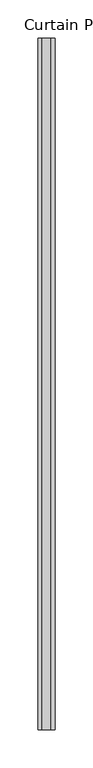
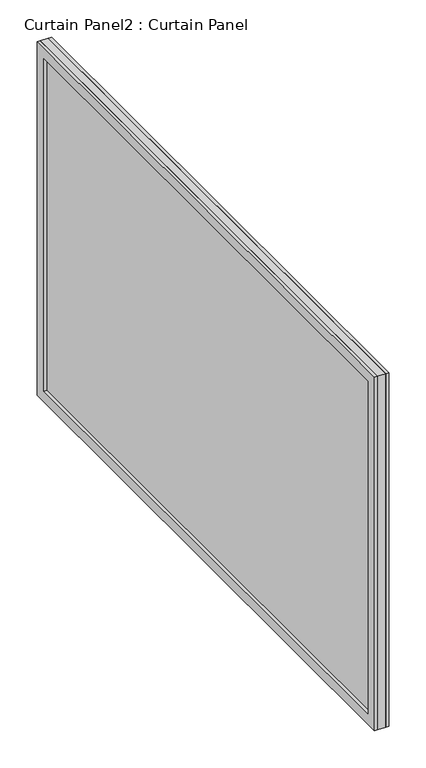
"""IFC4 building model written with IfcOpenShell, lengths in millimetres: plate geometry, Curtain Panel2 : Curtain Panel."""

from ifc_helpers import new_model, si_unit, frame, origin, place, context, project, spatial, polyline, outline, extrude, source, transform, mapped, element, save


def curtain_panel2_curtain_panel_1cacc3df(model_context):
    return source(origin(), model_context, "Body", "SweptSolid", [
        extrude(outline(polyline([(-12212.9764438, 591.0899159), (-13121.7860585, 591.0899159), (-13121.7860585, 1172.048077), (-12212.9764438, 1172.048077), (-12212.9764438, 591.0899159)]), holes=[polyline([(-12230.4417835, 1154.5827373), (-13104.3207188, 1154.5827373), (-13104.3207188, 608.5552556), (-12230.4417835, 608.5552556), (-12230.4417835, 1154.5827373)])]), frame((12102.3633028, 0.0, 0.0), z_axis=(1.0, 0.0, 0.0), x_axis=(0.0, 1.0, 0.0)), (0.0, 0.0, 1.0), 4.8496274),
        extrude(outline(polyline([(-12212.9764438, 591.0899159), (-13121.7860585, 591.0899159), (-13121.7860585, 1172.048077), (-12212.9764438, 1172.048077), (-12212.9764438, 591.0899159)]), holes=[polyline([(-12230.4319903, 1154.5925305), (-13104.3305121, 1154.5925305), (-13104.3305121, 608.5454623), (-12230.4319903, 608.5454623), (-12230.4319903, 1154.5925305)])]), frame((12084.7339302, 0.0, 0.0), z_axis=(1.0, 0.0, 0.0), x_axis=(0.0, 1.0, 0.0)), (0.0, 0.0, 1.0), 4.7653922),
        extrude(outline(polyline([(12089.4993225, -13121.7860585), (12089.4993225, -12212.9764438), (12102.3633028, -12212.9764438), (12102.3633028, -13121.7860585), (12089.4993225, -13121.7860585)])), frame((0.0, 0.0, 591.0899159), z_axis=(0.0, 0.0, 1.0), x_axis=(1.0, 0.0, 0.0)), (0.0, 0.0, 1.0), 580.9581611),
    ])


if __name__ == "__main__":
    model = new_model("IFC4")
    model_context = context("Model", 3, world=origin())
    ifc_project = project(units=[si_unit("LENGTHUNIT", "METRE", prefix="MILLI")], contexts=[model_context])
    site = spatial("IfcSite", under=ifc_project)
    building = spatial("IfcBuilding", under=site)
    placement = place(None, origin())
    curtain_panel2_curtain_panel_shape = curtain_panel2_curtain_panel_1cacc3df(model_context)
    element("IfcPlate", 1, ObjectType="Curtain Panel2 : Curtain Panel", at=placement, inside=building, context=model_context, shape_type="MappedRepresentation", body=[
        mapped(curtain_panel2_curtain_panel_shape, transform((0.0, 0.0, 0.0), x_axis=(1.0, 0.0, 0.0), y_axis=(0.0, 1.0, 0.0), z_axis=(0.0, 0.0, 1.0))),
    ])
    save(model, "model.ifc")
